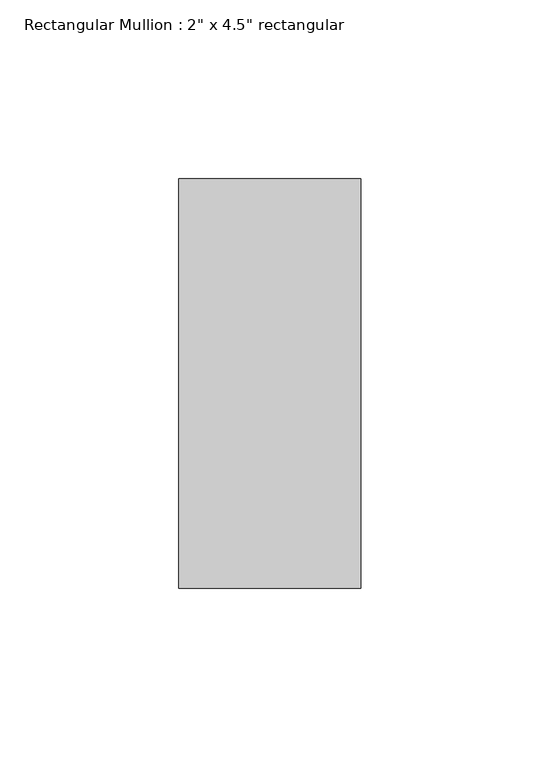
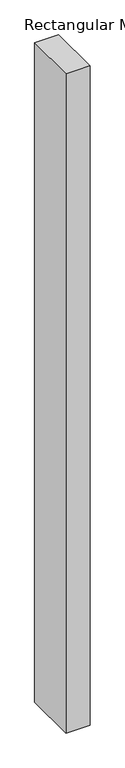
"""IFC4 building model written with IfcOpenShell, lengths in millimetres: member geometry."""

from ifc_helpers import new_model, si_unit, frame, origin, place, context, project, spatial, polyline, outline, extrude, source, transform, mapped, element, save


def member_1362c598(model_context):
    return source(origin(), model_context, "Body", "SweptSolid", [
        extrude(outline(polyline([(25.4, 57.15), (25.4, -57.15), (-25.4, -57.15), (-25.4, 57.15), (25.4, 57.15)])), frame((0.0, 0.0, -1473.2), z_axis=(0.0, 0.0, 1.0), x_axis=(1.0, 0.0, 0.0)), (0.0, 0.0, 1.0), 1473.2),
    ])


if __name__ == "__main__":
    model = new_model("IFC4")
    model_context = context("Model", 3, world=origin())
    ifc_project = project(units=[si_unit("LENGTHUNIT", "METRE", prefix="MILLI")], contexts=[model_context])
    site = spatial("IfcSite", under=ifc_project)
    building = spatial("IfcBuilding", under=site)
    placement = place(None, origin())
    member_shape = member_1362c598(model_context)
    element("IfcMember", 1, ObjectType="Rectangular Mullion : 2\" x 4.5\" rectangular", at=placement, inside=building, context=model_context, shape_type="MappedRepresentation", body=[
        mapped(member_shape, transform((0.0, 0.0, 0.0), x_axis=(1.0, 0.0, 0.0), y_axis=(0.0, 1.0, 0.0), z_axis=(0.0, 0.0, 1.0))),
    ])
    save(model, "model.ifc")
